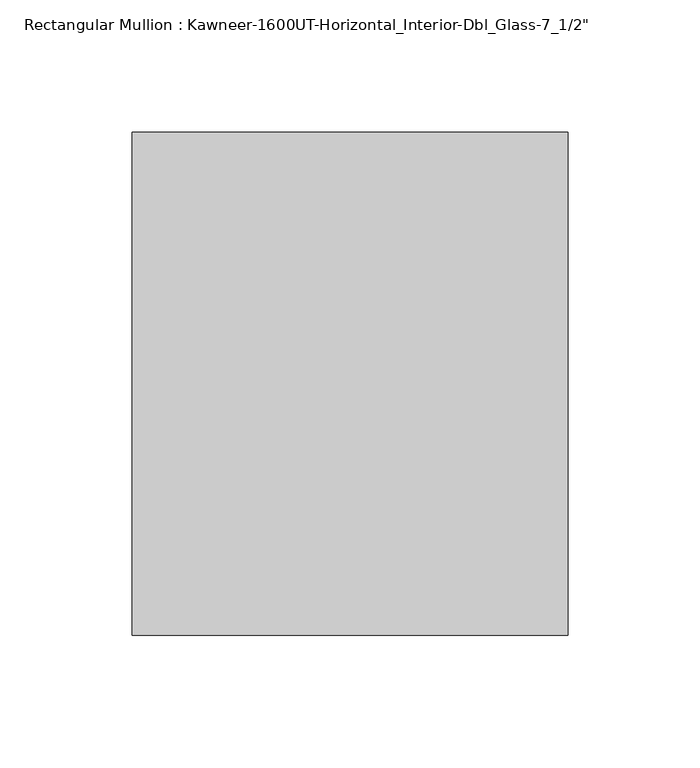
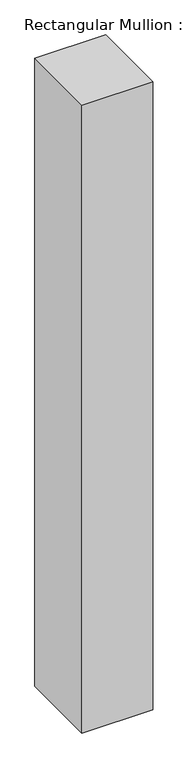
"""IFC4 building model written with IfcOpenShell, lengths in millimetres: member geometry."""

from ifc_helpers import new_model, si_unit, frame, origin, place, context, project, spatial, polyline, outline, extrude, source, transform, mapped, element, save


def member_05c03b04(model_context):
    return source(origin(), model_context, "Body", "SweptSolid", [
        extrude(outline(polyline([(-82.5540665, -152.4), (-82.5540665, 38.1), (82.5540665, 38.1), (82.5540665, -152.4), (-82.5540665, -152.4)])), frame((0.0, 0.0, -1550.9874997), z_axis=(0.0, 0.0, 1.0), x_axis=(1.0, 0.0, 0.0)), (0.0, 0.0, 1.0), 1550.9874997),
    ])


if __name__ == "__main__":
    model = new_model("IFC4")
    model_context = context("Model", 3, world=origin())
    ifc_project = project(units=[si_unit("LENGTHUNIT", "METRE", prefix="MILLI")], contexts=[model_context])
    site = spatial("IfcSite", under=ifc_project)
    building = spatial("IfcBuilding", under=site)
    placement = place(None, origin())
    member_shape = member_05c03b04(model_context)
    element("IfcMember", 1, ObjectType="Rectangular Mullion : Kawneer-1600UT-Horizontal_Interior-Dbl_Glass-7_1/2\"", at=placement, inside=building, context=model_context, shape_type="MappedRepresentation", body=[
        mapped(member_shape, transform((0.0, 0.0, 0.0), x_axis=(1.0, 0.0, 0.0), y_axis=(0.0, 1.0, 0.0), z_axis=(0.0, 0.0, 1.0))),
    ])
    save(model, "model.ifc")
